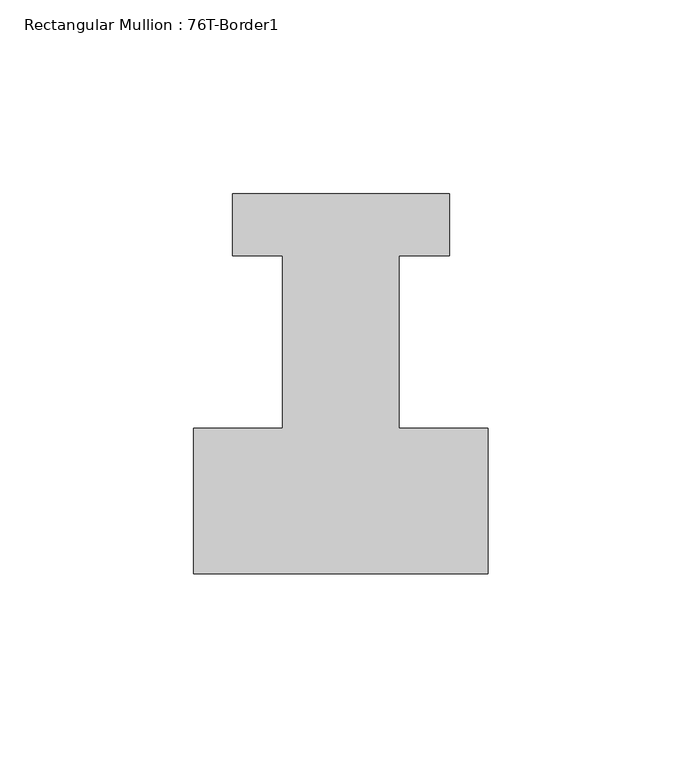
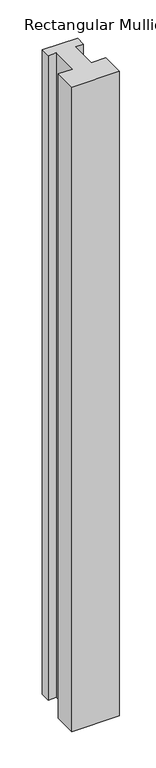
"""IFC4 building model written with IfcOpenShell, lengths in millimetres: member geometry, Rectangular Mullion : 76T-Border1."""

import ifcopenshell
import ifcopenshell.guid

model = None  # the IFC model being written
_history = None  # IfcOwnerHistory: only IFC2X3 demands one
_inside = {}  # id of a spatial element -> (the spatial element, [elements in it])
_under = {}  # id of a project, library or spatial element -> (it, [spatial elements below it])
_declared = {}  # id of a project -> (the project, [libraries it declares])
_typed = {}  # id of a type object -> (the type object, [elements of that type])
_made_of = {}  # id of a material, layer set ... -> (it, [elements and type objects made of it])


def new_model(schema):
    """Start an empty IFC model of exactly this schema.

    Asked for "IFC4X3", IfcOpenShell would pick the latest addendum, in which some entities
    have other attributes; the version numbers below select the first issue.
    IFC2X3 requires an IfcOwnerHistory on every rooted entity: one is made here for all.
    """
    global model, _history
    if schema == "IFC4X3":
        model = ifcopenshell.file(schema_version=(4, 3, 0, 0))
    else:
        model = ifcopenshell.file(schema=schema)
    _inside.clear()
    _under.clear()
    _declared.clear()
    _typed.clear()
    _made_of.clear()
    _history = None
    if model.schema == "IFC2X3":
        org = make("IfcOrganization", Name="unknown")
        user = make(
            "IfcPersonAndOrganization",
            ThePerson=make("IfcPerson", FamilyName="unknown"),
            TheOrganization=org,
        )
        app = make(
            "IfcApplication",
            ApplicationDeveloper=org,
            Version="unknown",
            ApplicationFullName="unknown",
            ApplicationIdentifier="unknown",
        )
        _history = make(
            "IfcOwnerHistory",
            OwningUser=user,
            OwningApplication=app,
            ChangeAction="ADDED",
            CreationDate=0,
        )
    return model


def make(cls, **values):
    """One entity of the class cls with the attributes given. An attribute that is None is left unset."""
    return model.create_entity(
        cls, **{name: value for name, value in values.items() if value is not None}
    )


def rooted(cls, **values):
    """An entity with a GlobalId (a new one), such as an element, a storey or a relation."""
    return make(cls, GlobalId=ifcopenshell.guid.new(), OwnerHistory=_history, **values)


def si_unit(unit_type, name, prefix=None):
    """IfcSIUnit, for example si_unit("LENGTHUNIT", "METRE", prefix="MILLI")."""
    return make("IfcSIUnit", UnitType=unit_type, Prefix=prefix, Name=name)


def assignment(units):
    """IfcUnitAssignment: the units of a project."""
    return None if units is None else make("IfcUnitAssignment", Units=units)


def point(xyz):
    """IfcCartesianPoint."""
    return None if xyz is None else make("IfcCartesianPoint", Coordinates=xyz)


def direction(xyz):
    """IfcDirection."""
    return None if xyz is None else make("IfcDirection", DirectionRatios=xyz)


def frame(location, z_axis=None, x_axis=None):
    """IfcAxis2Placement3D, a coordinate frame: its origin and axes. An axis left out is left unset."""
    return make(
        "IfcAxis2Placement3D",
        Location=point(location),
        Axis=direction(z_axis),
        RefDirection=direction(x_axis),
    )


def origin():
    """The frame at (0, 0, 0) with its axes left unset."""
    return frame((0.0, 0.0, 0.0))


def place(relative_to, where):
    """IfcLocalPlacement: puts the frame where relative to a parent placement (None: the world)."""
    return make(
        "IfcLocalPlacement", PlacementRelTo=relative_to, RelativePlacement=where
    )


def context(
    kind, dimensions, precision=None, world=None, true_north=None, identifier=None
):
    """IfcGeometricRepresentationContext, for example the 3D "Model" context."""
    return make(
        "IfcGeometricRepresentationContext",
        ContextIdentifier=identifier,
        ContextType=kind,
        CoordinateSpaceDimension=dimensions,
        Precision=precision,
        WorldCoordinateSystem=world,
        TrueNorth=true_north,
    )


def project(units=None, contexts=None):
    """IfcProject with its units and contexts."""
    return rooted(
        "IfcProject",
        Name="project",
        RepresentationContexts=contexts,
        UnitsInContext=assignment(units),
    )


def spatial(cls, under=None, at=None, **own):
    """A site, building, storey or space (cls), placed at a placement, below another one or the project."""
    s = rooted(cls, ObjectPlacement=at, **own)
    if under is not None:
        _under.setdefault(under.id(), (under, []))[1].append(s)
    return s


def polyline(points):
    """IfcPolyline through the points."""
    return make("IfcPolyline", Points=[point(p) for p in points])


def outline(outer, holes=None, kind="AREA"):
    """IfcArbitraryClosedProfileDef: a profile drawn as a closed curve; with holes, ...WithVoids."""
    if holes is None:
        return make("IfcArbitraryClosedProfileDef", ProfileType=kind, OuterCurve=outer)
    return make(
        "IfcArbitraryProfileDefWithVoids",
        ProfileType=kind,
        OuterCurve=outer,
        InnerCurves=holes,
    )


def extrude(swept, where, along, depth):
    """IfcExtrudedAreaSolid: the profile swept, set in the frame where, extruded along a direction by depth."""
    return make(
        "IfcExtrudedAreaSolid",
        SweptArea=swept,
        Position=where,
        ExtrudedDirection=direction(along),
        Depth=depth,
    )


def shape(context_of_items, identifier, shape_type, items):
    """IfcShapeRepresentation: the items that make up one representation, for example the "Body"."""
    return make(
        "IfcShapeRepresentation",
        ContextOfItems=context_of_items,
        RepresentationIdentifier=identifier,
        RepresentationType=shape_type,
        Items=items,
    )


def source(mapping_origin, context_of_items, identifier, shape_type, items):
    """IfcRepresentationMap: a shape defined once, which mapped items show again and again."""
    return make(
        "IfcRepresentationMap",
        MappingOrigin=mapping_origin,
        MappedRepresentation=shape(context_of_items, identifier, shape_type, items),
    )


def transform(
    local_origin,
    x_axis=None,
    y_axis=None,
    z_axis=None,
    scale=None,
    scale2=None,
    scale3=None,
    uniform=True,
):
    """IfcCartesianTransformationOperator3D, or its non-uniform kind. x_axis, y_axis, z_axis: its Axis1, 2, 3."""
    if uniform:
        return make(
            "IfcCartesianTransformationOperator3D",
            Axis1=direction(x_axis),
            Axis2=direction(y_axis),
            LocalOrigin=point(local_origin),
            Scale=scale,
            Axis3=direction(z_axis),
        )
    return make(
        "IfcCartesianTransformationOperator3DnonUniform",
        Axis1=direction(x_axis),
        Axis2=direction(y_axis),
        LocalOrigin=point(local_origin),
        Scale=scale,
        Axis3=direction(z_axis),
        Scale2=scale2,
        Scale3=scale3,
    )


def mapped(mapping_source, mapping_target):
    """IfcMappedItem: shows the shape of a source again, moved by a transform."""
    return make(
        "IfcMappedItem", MappingSource=mapping_source, MappingTarget=mapping_target
    )


def made_of(thing, what):
    """Note that an element or type object is made of a material, layer set ...; save() writes the relation."""
    if what is not None:
        _made_of.setdefault(what.id(), (what, []))[1].append(thing)
    return thing


def element(
    cls,
    number,
    at=None,
    inside=None,
    cuts=None,
    type_object=None,
    material=None,
    context=None,
    identifier="Body",
    shape_type=None,
    held_by="IfcProductDefinitionShape",
    body=None,
    shapes=None,
    **own,
):
    """One element of the class cls, such as IfcWall. Its Tag is "e" and its number.

    at: its placement. inside: the storey or other place that contains it. cuts: it is an
    opening in that element (IfcRelVoidsElement). A single representation is given by context,
    identifier, shape_type and body (its items); several are given by shapes. held_by: the class
    of the entity that holds the representations. save() writes the other relations.
    """
    e = rooted(cls, Tag="e%d" % number, ObjectPlacement=at, **own)
    if body is not None:
        shapes = [shape(context, identifier, shape_type, body)]
    if shapes is not None:
        e.Representation = make(held_by, Representations=shapes)
    if inside is not None:
        _inside.setdefault(inside.id(), (inside, []))[1].append(e)
    if cuts is not None:
        rooted(
            "IfcRelVoidsElement", RelatingBuildingElement=cuts, RelatedOpeningElement=e
        )
    if type_object is not None:
        _typed.setdefault(type_object.id(), (type_object, []))[1].append(e)
    return made_of(e, material)


def aggregate(whole, parts):
    """IfcRelAggregates: a whole, such as a stair, and the parts it consists of."""
    return rooted("IfcRelAggregates", RelatingObject=whole, RelatedObjects=parts)


def save(model, path):
    """Write the relations noted so far, then the file.

    IfcRelAggregates (storeys below a building ...), IfcRelContainedInSpatialStructure (elements
    in a storey), IfcRelDefinesByType, IfcRelAssociatesMaterial and IfcRelDeclares: one each for
    every whole, place, type object, material and project.
    """
    for whole, parts in _under.values():
        aggregate(whole, parts)
    for where, things in _inside.values():
        rooted(
            "IfcRelContainedInSpatialStructure",
            RelatedElements=things,
            RelatingStructure=where,
        )
    for kind, things in _typed.values():
        rooted("IfcRelDefinesByType", RelatedObjects=things, RelatingType=kind)
    for what, things in _made_of.values():
        rooted("IfcRelAssociatesMaterial", RelatedObjects=things, RelatingMaterial=what)
    for by, libraries in _declared.values():
        rooted("IfcRelDeclares", RelatingContext=by, RelatedDefinitions=libraries)
    model.write(path)


def rectangular_mullion_76t_border1_7d9afa56(model_context):
    return source(origin(), model_context, "Body", "SweptSolid", [
        extrude(outline(polyline([(-76.0, -38.0), (-76.0, -0.5), (-53.0, -0.5), (-53.0, 44.0), (-66.0, 44.0), (-66.0, 60.0), (-10.0, 60.0), (-10.0, 44.0), (-23.0, 44.0), (-23.0, -0.5), (0.0, -0.5), (0.0, -38.0), (-76.0, -38.0)])), frame((0.0, 0.0, -1086.0), z_axis=(0.0, 0.0, 1.0), x_axis=(1.0, 0.0, 0.0)), (0.0, 0.0, 1.0), 1086.0),
    ])


if __name__ == "__main__":
    model = new_model("IFC4")
    model_context = context("Model", 3, world=origin())
    ifc_project = project(units=[si_unit("LENGTHUNIT", "METRE", prefix="MILLI")], contexts=[model_context])
    site = spatial("IfcSite", under=ifc_project)
    building = spatial("IfcBuilding", under=site)
    placement = place(None, origin())
    rectangular_mullion_76t_border1_shape = rectangular_mullion_76t_border1_7d9afa56(model_context)
    element("IfcMember", 1, ObjectType="Rectangular Mullion : 76T-Border1", at=placement, inside=building, context=model_context, shape_type="MappedRepresentation", body=[
        mapped(rectangular_mullion_76t_border1_shape, transform((0.0, 0.0, 0.0), x_axis=(1.0, 0.0, 0.0), y_axis=(0.0, 1.0, 0.0), z_axis=(0.0, 0.0, 1.0))),
    ])
    save(model, "model.ifc")
